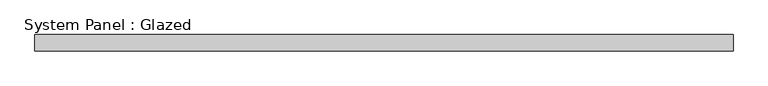
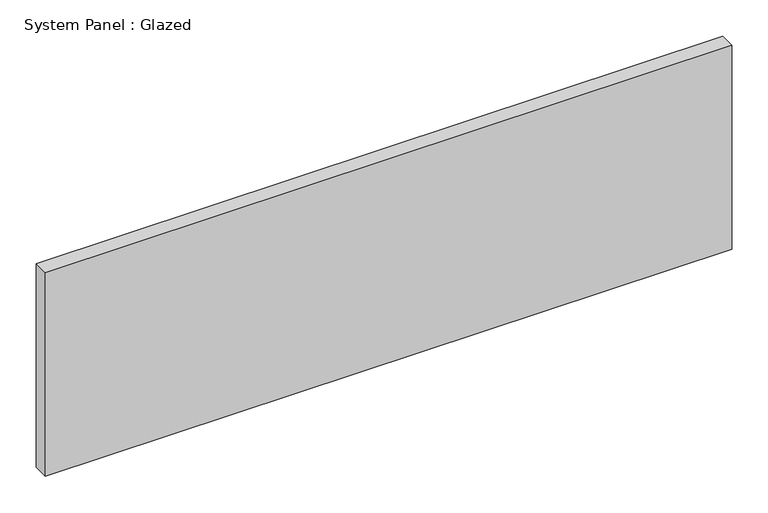
"""IFC4 building model written with IfcOpenShell, lengths in millimetres: plate geometry, System Panel : Glazed."""

from ifc_helpers import new_model, si_unit, origin, origin_with_axes, place, context, project, spatial, polyline, outline, extrude, source, transform, mapped, element, save


def system_panel_glazed_9925b4bd(model_context):
    return source(origin(), model_context, "Body", "SweptSolid", [
        extrude(outline(polyline([(546.1, 19.05), (-546.1, 19.05), (-546.1, 44.45), (546.1, 44.45), (546.1, 19.05)])), origin_with_axes(), (0.0, 0.0, 1.0), 342.9),
    ])


if __name__ == "__main__":
    model = new_model("IFC4")
    model_context = context("Model", 3, world=origin())
    ifc_project = project(units=[si_unit("LENGTHUNIT", "METRE", prefix="MILLI")], contexts=[model_context])
    site = spatial("IfcSite", under=ifc_project)
    building = spatial("IfcBuilding", under=site)
    placement = place(None, origin())
    system_panel_glazed_shape = system_panel_glazed_9925b4bd(model_context)
    element("IfcPlate", 1, ObjectType="System Panel : Glazed", at=placement, inside=building, context=model_context, shape_type="MappedRepresentation", body=[
        mapped(system_panel_glazed_shape, transform((0.0, 0.0, 0.0), x_axis=(1.0, 0.0, 0.0), y_axis=(0.0, 1.0, 0.0), z_axis=(0.0, 0.0, 1.0))),
    ])
    save(model, "model.ifc")
